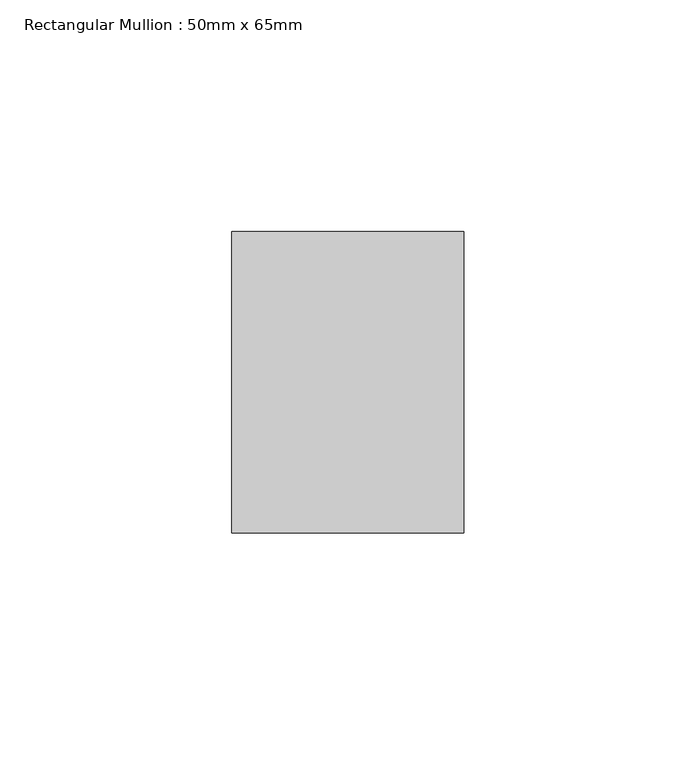
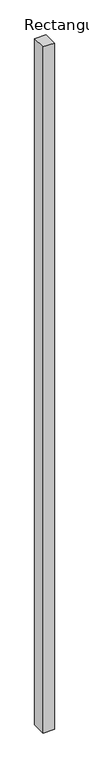
"""IFC4 building model written with IfcOpenShell, lengths in millimetres: member geometry, Rectangular Mullion : 50mm x 65mm."""

from ifc_helpers import new_model, si_unit, frame, origin, place, context, project, spatial, polyline, outline, extrude, source, transform, mapped, element, save


def rectangular_mullion_50mm_x_65mm_b327ac8f(model_context):
    return source(origin(), model_context, "Body", "SweptSolid", [
        extrude(outline(polyline([(25.0, 32.5), (25.0, -32.5), (-25.0, -32.5), (-25.0, 32.5), (25.0, 32.5)])), frame((0.0, 0.0, -3235.2679226), z_axis=(0.0, 0.0, 1.0), x_axis=(1.0, 0.0, 0.0)), (0.0, 0.0, 1.0), 3235.2679226),
    ])


if __name__ == "__main__":
    model = new_model("IFC4")
    model_context = context("Model", 3, world=origin())
    ifc_project = project(units=[si_unit("LENGTHUNIT", "METRE", prefix="MILLI")], contexts=[model_context])
    site = spatial("IfcSite", under=ifc_project)
    building = spatial("IfcBuilding", under=site)
    placement = place(None, origin())
    rectangular_mullion_50mm_x_65mm_shape = rectangular_mullion_50mm_x_65mm_b327ac8f(model_context)
    element("IfcMember", 1, ObjectType="Rectangular Mullion : 50mm x 65mm", at=placement, inside=building, context=model_context, shape_type="MappedRepresentation", body=[
        mapped(rectangular_mullion_50mm_x_65mm_shape, transform((0.0, 0.0, 0.0), x_axis=(1.0, 0.0, 0.0), y_axis=(0.0, 1.0, 0.0), z_axis=(0.0, 0.0, 1.0))),
    ])
    save(model, "model.ifc")
